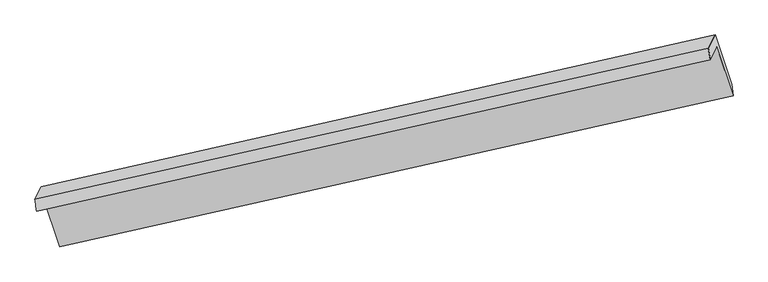
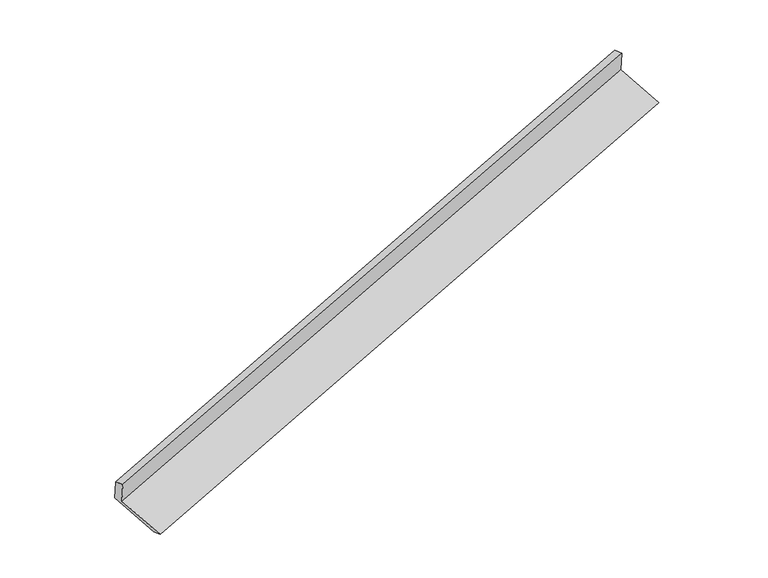
"""IFC4 building model written with IfcOpenShell, lengths in millimetres: proxy geometry."""

import ifcopenshell
import ifcopenshell.guid

model = None  # the IFC model being written
_history = None  # IfcOwnerHistory: only IFC2X3 demands one
_inside = {}  # id of a spatial element -> (the spatial element, [elements in it])
_under = {}  # id of a project, library or spatial element -> (it, [spatial elements below it])
_declared = {}  # id of a project -> (the project, [libraries it declares])
_typed = {}  # id of a type object -> (the type object, [elements of that type])
_made_of = {}  # id of a material, layer set ... -> (it, [elements and type objects made of it])


def new_model(schema):
    """Start an empty IFC model of exactly this schema.

    Asked for "IFC4X3", IfcOpenShell would pick the latest addendum, in which some entities
    have other attributes; the version numbers below select the first issue.
    IFC2X3 requires an IfcOwnerHistory on every rooted entity: one is made here for all.
    """
    global model, _history
    if schema == "IFC4X3":
        model = ifcopenshell.file(schema_version=(4, 3, 0, 0))
    else:
        model = ifcopenshell.file(schema=schema)
    _inside.clear()
    _under.clear()
    _declared.clear()
    _typed.clear()
    _made_of.clear()
    _history = None
    if model.schema == "IFC2X3":
        org = make("IfcOrganization", Name="unknown")
        user = make(
            "IfcPersonAndOrganization",
            ThePerson=make("IfcPerson", FamilyName="unknown"),
            TheOrganization=org,
        )
        app = make(
            "IfcApplication",
            ApplicationDeveloper=org,
            Version="unknown",
            ApplicationFullName="unknown",
            ApplicationIdentifier="unknown",
        )
        _history = make(
            "IfcOwnerHistory",
            OwningUser=user,
            OwningApplication=app,
            ChangeAction="ADDED",
            CreationDate=0,
        )
    return model


def make(cls, **values):
    """One entity of the class cls with the attributes given. An attribute that is None is left unset."""
    return model.create_entity(
        cls, **{name: value for name, value in values.items() if value is not None}
    )


def rooted(cls, **values):
    """An entity with a GlobalId (a new one), such as an element, a storey or a relation."""
    return make(cls, GlobalId=ifcopenshell.guid.new(), OwnerHistory=_history, **values)


def si_unit(unit_type, name, prefix=None):
    """IfcSIUnit, for example si_unit("LENGTHUNIT", "METRE", prefix="MILLI")."""
    return make("IfcSIUnit", UnitType=unit_type, Prefix=prefix, Name=name)


def assignment(units):
    """IfcUnitAssignment: the units of a project."""
    return None if units is None else make("IfcUnitAssignment", Units=units)


def point(xyz):
    """IfcCartesianPoint."""
    return None if xyz is None else make("IfcCartesianPoint", Coordinates=xyz)


def direction(xyz):
    """IfcDirection."""
    return None if xyz is None else make("IfcDirection", DirectionRatios=xyz)


def frame(location, z_axis=None, x_axis=None):
    """IfcAxis2Placement3D, a coordinate frame: its origin and axes. An axis left out is left unset."""
    return make(
        "IfcAxis2Placement3D",
        Location=point(location),
        Axis=direction(z_axis),
        RefDirection=direction(x_axis),
    )


def origin():
    """The frame at (0, 0, 0) with its axes left unset."""
    return frame((0.0, 0.0, 0.0))


def place(relative_to, where):
    """IfcLocalPlacement: puts the frame where relative to a parent placement (None: the world)."""
    return make(
        "IfcLocalPlacement", PlacementRelTo=relative_to, RelativePlacement=where
    )


def context(
    kind, dimensions, precision=None, world=None, true_north=None, identifier=None
):
    """IfcGeometricRepresentationContext, for example the 3D "Model" context."""
    return make(
        "IfcGeometricRepresentationContext",
        ContextIdentifier=identifier,
        ContextType=kind,
        CoordinateSpaceDimension=dimensions,
        Precision=precision,
        WorldCoordinateSystem=world,
        TrueNorth=true_north,
    )


def project(units=None, contexts=None):
    """IfcProject with its units and contexts."""
    return rooted(
        "IfcProject",
        Name="project",
        RepresentationContexts=contexts,
        UnitsInContext=assignment(units),
    )


def spatial(cls, under=None, at=None, **own):
    """A site, building, storey or space (cls), placed at a placement, below another one or the project."""
    s = rooted(cls, ObjectPlacement=at, **own)
    if under is not None:
        _under.setdefault(under.id(), (under, []))[1].append(s)
    return s


def shape(context_of_items, identifier, shape_type, items):
    """IfcShapeRepresentation: the items that make up one representation, for example the "Body"."""
    return make(
        "IfcShapeRepresentation",
        ContextOfItems=context_of_items,
        RepresentationIdentifier=identifier,
        RepresentationType=shape_type,
        Items=items,
    )


def source(mapping_origin, context_of_items, identifier, shape_type, items):
    """IfcRepresentationMap: a shape defined once, which mapped items show again and again."""
    return make(
        "IfcRepresentationMap",
        MappingOrigin=mapping_origin,
        MappedRepresentation=shape(context_of_items, identifier, shape_type, items),
    )


def transform(
    local_origin,
    x_axis=None,
    y_axis=None,
    z_axis=None,
    scale=None,
    scale2=None,
    scale3=None,
    uniform=True,
):
    """IfcCartesianTransformationOperator3D, or its non-uniform kind. x_axis, y_axis, z_axis: its Axis1, 2, 3."""
    if uniform:
        return make(
            "IfcCartesianTransformationOperator3D",
            Axis1=direction(x_axis),
            Axis2=direction(y_axis),
            LocalOrigin=point(local_origin),
            Scale=scale,
            Axis3=direction(z_axis),
        )
    return make(
        "IfcCartesianTransformationOperator3DnonUniform",
        Axis1=direction(x_axis),
        Axis2=direction(y_axis),
        LocalOrigin=point(local_origin),
        Scale=scale,
        Axis3=direction(z_axis),
        Scale2=scale2,
        Scale3=scale3,
    )


def mapped(mapping_source, mapping_target):
    """IfcMappedItem: shows the shape of a source again, moved by a transform."""
    return make(
        "IfcMappedItem", MappingSource=mapping_source, MappingTarget=mapping_target
    )


def made_of(thing, what):
    """Note that an element or type object is made of a material, layer set ...; save() writes the relation."""
    if what is not None:
        _made_of.setdefault(what.id(), (what, []))[1].append(thing)
    return thing


def element(
    cls,
    number,
    at=None,
    inside=None,
    cuts=None,
    type_object=None,
    material=None,
    context=None,
    identifier="Body",
    shape_type=None,
    held_by="IfcProductDefinitionShape",
    body=None,
    shapes=None,
    **own,
):
    """One element of the class cls, such as IfcWall. Its Tag is "e" and its number.

    at: its placement. inside: the storey or other place that contains it. cuts: it is an
    opening in that element (IfcRelVoidsElement). A single representation is given by context,
    identifier, shape_type and body (its items); several are given by shapes. held_by: the class
    of the entity that holds the representations. save() writes the other relations.
    """
    e = rooted(cls, Tag="e%d" % number, ObjectPlacement=at, **own)
    if body is not None:
        shapes = [shape(context, identifier, shape_type, body)]
    if shapes is not None:
        e.Representation = make(held_by, Representations=shapes)
    if inside is not None:
        _inside.setdefault(inside.id(), (inside, []))[1].append(e)
    if cuts is not None:
        rooted(
            "IfcRelVoidsElement", RelatingBuildingElement=cuts, RelatedOpeningElement=e
        )
    if type_object is not None:
        _typed.setdefault(type_object.id(), (type_object, []))[1].append(e)
    return made_of(e, material)


def aggregate(whole, parts):
    """IfcRelAggregates: a whole, such as a stair, and the parts it consists of."""
    return rooted("IfcRelAggregates", RelatingObject=whole, RelatedObjects=parts)


def save(model, path):
    """Write the relations noted so far, then the file.

    IfcRelAggregates (storeys below a building ...), IfcRelContainedInSpatialStructure (elements
    in a storey), IfcRelDefinesByType, IfcRelAssociatesMaterial and IfcRelDeclares: one each for
    every whole, place, type object, material and project.
    """
    for whole, parts in _under.values():
        aggregate(whole, parts)
    for where, things in _inside.values():
        rooted(
            "IfcRelContainedInSpatialStructure",
            RelatedElements=things,
            RelatingStructure=where,
        )
    for kind, things in _typed.values():
        rooted("IfcRelDefinesByType", RelatedObjects=things, RelatingType=kind)
    for what, things in _made_of.values():
        rooted("IfcRelAssociatesMaterial", RelatedObjects=things, RelatingMaterial=what)
    for by, libraries in _declared.values():
        rooted("IfcRelDeclares", RelatingContext=by, RelatedDefinitions=libraries)
    model.write(path)


def plane_surface(at):
    """IfcPlane: the flat surface through the origin of the frame at, square to its z axis."""
    return make("IfcPlane", Position=at)


def spline_surface(u_degree, v_degree, points, u_multiplicities, v_multiplicities, u_knots, v_knots, weights=None):
    """IfcBSplineSurfaceWithKnots; with weights, IfcRationalBSplineSurfaceWithKnots. points: one row for each step in u."""
    own = dict(
        UDegree=u_degree,
        VDegree=v_degree,
        ControlPointsList=[[point(p) for p in row] for row in points],
        SurfaceForm="UNSPECIFIED",
        UClosed=False,
        VClosed=False,
        SelfIntersect=False,
        UMultiplicities=u_multiplicities,
        VMultiplicities=v_multiplicities,
        UKnots=u_knots,
        VKnots=v_knots,
        KnotSpec="UNSPECIFIED",
    )
    if weights is None:
        return make("IfcBSplineSurfaceWithKnots", **own)
    return make("IfcRationalBSplineSurfaceWithKnots", WeightsData=weights, **own)


def advanced_brep(points, edges, surfaces, faces):
    """IfcAdvancedBrep: a solid bounded by faces that lie on surfaces and meet in shared edges.

    An edge is (start, end): straight between two places in points (the first is 0);
    or (start, end, curve); or (start, end, curve, False) where it runs against its curve.
    A face is (place in surfaces, loops), or (place, loops, False) where it looks against
    its surface's normal. A loop lists edges by number (the first is 1), with a minus sign
    where the edge is run from its end to its start. The first loop is the outer one.
    """
    corners = [point(p) for p in points]
    vertices = [make("IfcVertexPoint", VertexGeometry=c) for c in corners]
    made = []
    for start, end, *more in edges:
        made.append(
            make(
                "IfcEdgeCurve",
                EdgeStart=vertices[start],
                EdgeEnd=vertices[end],
                EdgeGeometry=more[0] if more else make("IfcPolyline", Points=[corners[start], corners[end]]),
                SameSense=more[1] if len(more) > 1 else True,
            )
        )
    hull = []
    for where, loops, *sense in faces:
        bounds = []
        for j, loop in enumerate(loops):
            ring = [make("IfcOrientedEdge", EdgeElement=made[abs(k) - 1], Orientation=k > 0) for k in loop]
            bounds.append(
                make(
                    "IfcFaceOuterBound" if j == 0 else "IfcFaceBound",
                    Bound=make("IfcEdgeLoop", EdgeList=ring),
                    Orientation=True,
                )
            )
        hull.append(make("IfcAdvancedFace", Bounds=bounds, FaceSurface=surfaces[where], SameSense=sense[0] if sense else True))
    return make("IfcAdvancedBrep", Outer=make("IfcClosedShell", CfsFaces=hull))


def generic_models_d54ca187(model_context):
    return source(origin(), model_context, "Body", "AdvancedBrep", [
        advanced_brep(
        [(-7580.7128819, -2511.8671935, 880.6027376), (-7490.9336993, -2330.7293857, 457.3665901), (1701.3502243, -271.7142905, 3316.2132782), (1614.4421893, -447.0592923, 3725.9142896), (-7603.5898045, -2350.9910268, 836.8862193), (1588.6941191, -291.9759316, 3695.7329074), (-7518.0877036, -2178.4826273, 433.8130491), (1679.9385152, -107.8819201, 3265.5894649), (-7289.0943828, -2859.3685178, 190.9808974), (1905.9119904, -779.7886392, 3025.9596582), (-7266.216826, -2998.8997403, 219.0693259), (1926.0670976, -939.8846451, 3077.916014)],
        [
            (0, 1),
            (1, 2),
            (2, 3),
            (3, 0),
            (4, 0),
            (3, 5),
            (5, 4),
            (6, 4),
            (5, 7),
            (7, 6),
            (8, 6),
            (7, 9),
            (9, 8),
            (10, 8),
            (9, 11),
            (11, 10),
            (1, 10),
            (11, 2),
        ],
        [
            plane_surface(frame((-7535.8232906, -2421.2982896, 668.9846639), z_axis=(0.3008837463430777, -0.8981654141415567, -0.3205742660078635), x_axis=(0.19140984160171498, 0.3861870655406292, -0.9023424089264143))),
            spline_surface(1, 1, [[(-7603.5898045, -2350.9910268, 836.8862193), (1588.6941191, -291.9759316, 3695.7329074)], [(-7580.7128819, -2511.8671935, 880.6027376), (1614.4421893, -447.0592923, 3725.9142896)]], [2, 2], [2, 2], [0.0, 1.0], [0.0, 1.0]),
            plane_surface(frame((-7560.838754, -2264.7368271, 635.3496342), z_axis=(-0.30088374634307125, 0.8981654141415715, 0.32057426600782846), x_axis=(-0.19140984160175356, -0.38618706554060067, 0.9023424089264183))),
            plane_surface(frame((-7403.5910432, -2518.9255726, 312.3969732), z_axis=(0.19093548110278824, 0.38607974663835903, -0.9024888205909851), x_axis=(-0.30198456241273053, 0.8979171400954827, 0.3202344978092475))),
            spline_surface(1, 1, [[(-7266.216826, -2998.8997403, 219.0693259), (1926.0670976, -939.8846451, 3077.916014)], [(-7289.0943828, -2859.3685178, 190.9808974), (1905.9119904, -779.7886392, 3025.9596582)]], [2, 2], [2, 2], [0.0, 1.0], [0.0, 1.0]),
            plane_surface(frame((-7378.5752626, -2664.814563, 338.217958), z_axis=(-0.19378089608276944, -0.386722164018027, 0.9016068612042465), x_axis=(0.30198456241271565, -0.8979171400954905, -0.3202344978092399))),
            plane_surface(frame((1736.067356, -473.0507865, 3351.2209354), z_axis=(0.9338991362038993, 0.21119744300500842, 0.2884927095539107), x_axis=(-0.30198456241273053, 0.8979171400954827, 0.3202344978092475))),
            plane_surface(frame((-7458.105883, -2538.3897486, 503.1198032), z_axis=(-0.9338991362038986, -0.21119744300505697, -0.2884927095538772), x_axis=(-0.19140984160169522, -0.38618706554062826, 0.9023424089264189))),
        ],
        [
            (0, [[1, 2, 3, 4]]),
            (1, [[5, -4, 6, 7]]),
            (2, [[8, -7, 9, 10]]),
            (3, [[11, -10, 12, 13]]),
            (4, [[14, -13, 15, 16]]),
            (5, [[17, -16, 18, -2]]),
            (6, [[-12, -9, -6, -3, -18, -15]]),
            (7, [[-1, -5, -8, -11, -14, -17]]),
        ],
    ),
    ])


if __name__ == "__main__":
    model = new_model("IFC4")
    model_context = context("Model", 3, world=origin())
    ifc_project = project(units=[si_unit("LENGTHUNIT", "METRE", prefix="MILLI")], contexts=[model_context])
    site = spatial("IfcSite", under=ifc_project)
    building = spatial("IfcBuilding", under=site)
    placement = place(None, origin())
    generic_models_shape = generic_models_d54ca187(model_context)
    element("IfcBuildingElementProxy", 1, Name="Generic Models", at=placement, inside=building, context=model_context, shape_type="MappedRepresentation", body=[
        mapped(generic_models_shape, transform((0.0, 0.0, 0.0), x_axis=(1.0, 0.0, 0.0), y_axis=(0.0, 1.0, 0.0), z_axis=(0.0, 0.0, 1.0))),
    ])
    save(model, "model.ifc")
